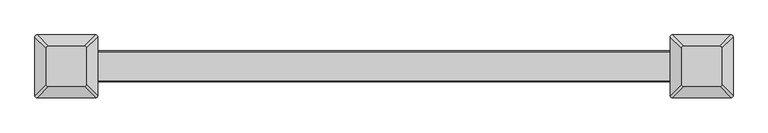
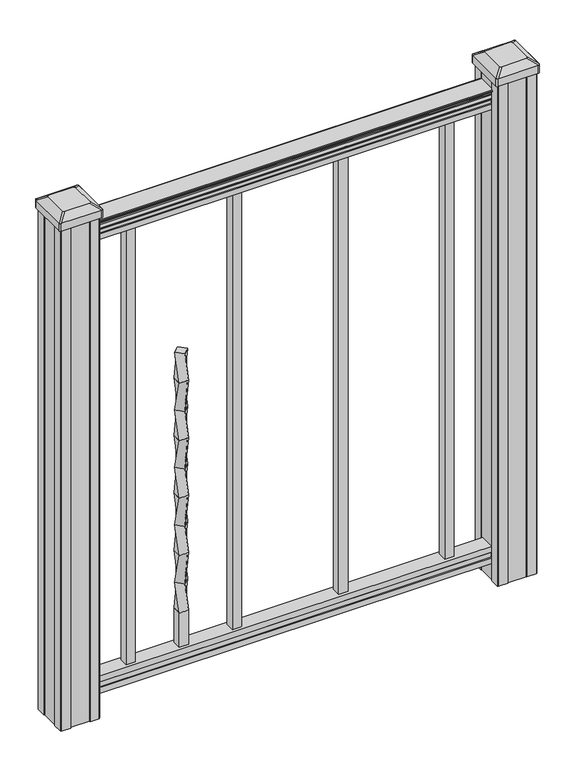
"""IFC4 building model written with IfcOpenShell, lengths in millimetres: proxy geometry."""

from ifc_helpers import new_model, si_unit, point, frame, frame_2d, origin, place, context, project, spatial, polyline, circle_curve, trimmed, segment, composite_curve, outline, extrude, source, transform, mapped, element, save
from ifc_brep_helpers import plane_surface, extruded_surface, spline_surface, advanced_brep


def specialty_equipment_23b46780(model_context):
    return source(origin(), model_context, "Body", "SolidModel", [
        advanced_brep(
        [(-222.25, 13.4703842, 749.3), (-235.7203842, 0.0, 749.3), (-222.25, -13.4703842, 749.3), (-208.7796158, 0.0, 749.3), (-231.775, 9.525, 685.8), (-212.725, 9.525, 685.8), (-212.725, -9.525, 685.8), (-231.775, -9.525, 685.8)],
        [
            (0, 1),
            (1, 2),
            (2, 3),
            (3, 0),
            (4, 5),
            (5, 6),
            (6, 7),
            (7, 4),
            (4, 0),
            (3, 5),
            (2, 6),
            (1, 7),
        ],
        [
            plane_surface(frame((-222.25, 0.0, 749.3), z_axis=(0.0, 0.0, 1.0000000000000002), x_axis=(0.7071067811865481, -0.707106781186547, 0.0))),
            plane_surface(frame((-222.25, 0.0, 685.8), z_axis=(0.0, 0.0, -1.0000000000000002), x_axis=(0.7071067811865481, -0.707106781186547, 0.0))),
            spline_surface(1, 1, [[(-212.725, 9.525, 685.8), (-208.7796158, 0.0, 749.3)], [(-231.775, 9.525, 685.8), (-222.25, 13.4703842, 749.3)]], [2, 2], [2, 2], [0.0, 1.0], [0.0, 1.0]),
            spline_surface(1, 1, [[(-212.725, -9.525, 685.8), (-222.25, -13.4703842, 749.3)], [(-212.725, 9.525, 685.8), (-208.7796158, 0.0, 749.3)]], [2, 2], [2, 2], [0.0, 1.0], [0.0, 1.0]),
            spline_surface(1, 1, [[(-231.775, -9.525, 685.8), (-235.7203842, 0.0, 749.3)], [(-212.725, -9.525, 685.8), (-222.25, -13.4703842, 749.3)]], [2, 2], [2, 2], [0.0, 1.0], [0.0, 1.0]),
            spline_surface(1, 1, [[(-231.775, 9.525, 685.8), (-222.25, 13.4703842, 749.3)], [(-231.775, -9.525, 685.8), (-235.7203842, 0.0, 749.3)]], [2, 2], [2, 2], [0.0, 1.0], [0.0, 1.0]),
        ],
        [
            (0, [[1, 2, 3, 4]]),
            (1, [[5, 6, 7, 8]]),
            (2, [[-5, 9, -4, 10]]),
            (3, [[-6, -10, -3, 11]]),
            (4, [[-7, -11, -2, 12]]),
            (5, [[-8, -12, -1, -9]]),
        ],
    ),
        advanced_brep(
        [(-231.775, 9.525, 685.8), (-231.775, -9.525, 685.8), (-212.725, -9.525, 685.8), (-212.725, 9.525, 685.8), (-222.25, 13.4703842, 622.3), (-208.7796158, 0.0, 622.3), (-222.25, -13.4703842, 622.3), (-235.7203842, 0.0, 622.3)],
        [
            (0, 1),
            (1, 2),
            (2, 3),
            (3, 0),
            (4, 5),
            (5, 6),
            (6, 7),
            (7, 4),
            (4, 0),
            (3, 5),
            (2, 6),
            (1, 7),
        ],
        [
            plane_surface(frame((-222.25, 0.0, 685.8), z_axis=(0.0, 0.0, 1.0), x_axis=(0.0, -1.0, 0.0))),
            plane_surface(frame((-222.25, 0.0, 622.3), z_axis=(0.0, 0.0, -1.0), x_axis=(0.0, -1.0, 0.0))),
            spline_surface(1, 1, [[(-208.7796158, 0.0, 622.3), (-212.725, 9.525, 685.8)], [(-222.25, 13.4703842, 622.3), (-231.775, 9.525, 685.8)]], [2, 2], [2, 2], [0.0, 1.0], [0.0, 1.0]),
            spline_surface(1, 1, [[(-222.25, -13.4703842, 622.3), (-212.725, -9.525, 685.8)], [(-208.7796158, 0.0, 622.3), (-212.725, 9.525, 685.8)]], [2, 2], [2, 2], [0.0, 1.0], [0.0, 1.0]),
            spline_surface(1, 1, [[(-235.7203842, 0.0, 622.3), (-231.775, -9.525, 685.8)], [(-222.25, -13.4703842, 622.3), (-212.725, -9.525, 685.8)]], [2, 2], [2, 2], [0.0, 1.0], [0.0, 1.0]),
            spline_surface(1, 1, [[(-222.25, 13.4703842, 622.3), (-231.775, 9.525, 685.8)], [(-235.7203842, 0.0, 622.3), (-231.775, -9.525, 685.8)]], [2, 2], [2, 2], [0.0, 1.0], [0.0, 1.0]),
        ],
        [
            (0, [[1, 2, 3, 4]]),
            (1, [[5, 6, 7, 8]]),
            (2, [[-5, 9, -4, 10]]),
            (3, [[-6, -10, -3, 11]]),
            (4, [[-7, -11, -2, 12]]),
            (5, [[-8, -12, -1, -9]]),
        ],
    ),
        advanced_brep(
        [(-222.25, 13.4703842, 622.3), (-235.7203842, 0.0, 622.3), (-222.25, -13.4703842, 622.3), (-208.7796158, 0.0, 622.3), (-231.775, 9.525, 558.8), (-212.725, 9.525, 558.8), (-212.725, -9.525, 558.8), (-231.775, -9.525, 558.8)],
        [
            (0, 1),
            (1, 2),
            (2, 3),
            (3, 0),
            (4, 5),
            (5, 6),
            (6, 7),
            (7, 4),
            (4, 0),
            (3, 5),
            (2, 6),
            (1, 7),
        ],
        [
            plane_surface(frame((-222.25, 0.0, 622.3), z_axis=(0.0, 0.0, 1.0000000000000002), x_axis=(0.7071067811865481, -0.707106781186547, 0.0))),
            plane_surface(frame((-222.25, 0.0, 558.8), z_axis=(0.0, 0.0, -1.0000000000000002), x_axis=(0.7071067811865481, -0.707106781186547, 0.0))),
            spline_surface(1, 1, [[(-212.725, 9.525, 558.8), (-208.7796158, 0.0, 622.3)], [(-231.775, 9.525, 558.8), (-222.25, 13.4703842, 622.3)]], [2, 2], [2, 2], [0.0, 1.0], [0.0, 1.0]),
            spline_surface(1, 1, [[(-212.725, -9.525, 558.8), (-222.25, -13.4703842, 622.3)], [(-212.725, 9.525, 558.8), (-208.7796158, 0.0, 622.3)]], [2, 2], [2, 2], [0.0, 1.0], [0.0, 1.0]),
            spline_surface(1, 1, [[(-231.775, -9.525, 558.8), (-235.7203842, 0.0, 622.3)], [(-212.725, -9.525, 558.8), (-222.25, -13.4703842, 622.3)]], [2, 2], [2, 2], [0.0, 1.0], [0.0, 1.0]),
            spline_surface(1, 1, [[(-231.775, 9.525, 558.8), (-222.25, 13.4703842, 622.3)], [(-231.775, -9.525, 558.8), (-235.7203842, 0.0, 622.3)]], [2, 2], [2, 2], [0.0, 1.0], [0.0, 1.0]),
        ],
        [
            (0, [[1, 2, 3, 4]]),
            (1, [[5, 6, 7, 8]]),
            (2, [[-5, 9, -4, 10]]),
            (3, [[-6, -10, -3, 11]]),
            (4, [[-7, -11, -2, 12]]),
            (5, [[-8, -12, -1, -9]]),
        ],
    ),
        advanced_brep(
        [(-231.775, 9.525, 558.8), (-231.775, -9.525, 558.8), (-212.725, -9.525, 558.8), (-212.725, 9.525, 558.8), (-222.25, 13.4703842, 495.3), (-208.7796158, 0.0, 495.3), (-222.25, -13.4703842, 495.3), (-235.7203842, 0.0, 495.3)],
        [
            (0, 1),
            (1, 2),
            (2, 3),
            (3, 0),
            (4, 5),
            (5, 6),
            (6, 7),
            (7, 4),
            (4, 0),
            (3, 5),
            (2, 6),
            (1, 7),
        ],
        [
            plane_surface(frame((-222.25, 0.0, 558.8), z_axis=(0.0, 0.0, 1.0), x_axis=(0.0, -1.0, 0.0))),
            plane_surface(frame((-222.25, 0.0, 495.3), z_axis=(0.0, 0.0, -1.0), x_axis=(0.0, -1.0, 0.0))),
            spline_surface(1, 1, [[(-208.7796158, 0.0, 495.3), (-212.725, 9.525, 558.8)], [(-222.25, 13.4703842, 495.3), (-231.775, 9.525, 558.8)]], [2, 2], [2, 2], [0.0, 1.0], [0.0, 1.0]),
            spline_surface(1, 1, [[(-222.25, -13.4703842, 495.3), (-212.725, -9.525, 558.8)], [(-208.7796158, 0.0, 495.3), (-212.725, 9.525, 558.8)]], [2, 2], [2, 2], [0.0, 1.0], [0.0, 1.0]),
            spline_surface(1, 1, [[(-235.7203842, 0.0, 495.3), (-231.775, -9.525, 558.8)], [(-222.25, -13.4703842, 495.3), (-212.725, -9.525, 558.8)]], [2, 2], [2, 2], [0.0, 1.0], [0.0, 1.0]),
            spline_surface(1, 1, [[(-222.25, 13.4703842, 495.3), (-231.775, 9.525, 558.8)], [(-235.7203842, 0.0, 495.3), (-231.775, -9.525, 558.8)]], [2, 2], [2, 2], [0.0, 1.0], [0.0, 1.0]),
        ],
        [
            (0, [[1, 2, 3, 4]]),
            (1, [[5, 6, 7, 8]]),
            (2, [[-5, 9, -4, 10]]),
            (3, [[-6, -10, -3, 11]]),
            (4, [[-7, -11, -2, 12]]),
            (5, [[-8, -12, -1, -9]]),
        ],
    ),
        advanced_brep(
        [(-222.25, 13.4703842, 495.3), (-235.7203842, 0.0, 495.3), (-222.25, -13.4703842, 495.3), (-208.7796158, 0.0, 495.3), (-231.775, 9.525, 431.8), (-212.725, 9.525, 431.8), (-212.725, -9.525, 431.8), (-231.775, -9.525, 431.8)],
        [
            (0, 1),
            (1, 2),
            (2, 3),
            (3, 0),
            (4, 5),
            (5, 6),
            (6, 7),
            (7, 4),
            (4, 0),
            (3, 5),
            (2, 6),
            (1, 7),
        ],
        [
            plane_surface(frame((-222.25, 0.0, 495.3), z_axis=(0.0, 0.0, 1.0000000000000002), x_axis=(0.7071067811865481, -0.707106781186547, 0.0))),
            plane_surface(frame((-222.25, 0.0, 431.8), z_axis=(0.0, 0.0, -1.0000000000000002), x_axis=(0.7071067811865481, -0.707106781186547, 0.0))),
            spline_surface(1, 1, [[(-212.725, 9.525, 431.8), (-208.7796158, 0.0, 495.3)], [(-231.775, 9.525, 431.8), (-222.25, 13.4703842, 495.3)]], [2, 2], [2, 2], [0.0, 1.0], [0.0, 1.0]),
            spline_surface(1, 1, [[(-212.725, -9.525, 431.8), (-222.25, -13.4703842, 495.3)], [(-212.725, 9.525, 431.8), (-208.7796158, 0.0, 495.3)]], [2, 2], [2, 2], [0.0, 1.0], [0.0, 1.0]),
            spline_surface(1, 1, [[(-231.775, -9.525, 431.8), (-235.7203842, 0.0, 495.3)], [(-212.725, -9.525, 431.8), (-222.25, -13.4703842, 495.3)]], [2, 2], [2, 2], [0.0, 1.0], [0.0, 1.0]),
            spline_surface(1, 1, [[(-231.775, 9.525, 431.8), (-222.25, 13.4703842, 495.3)], [(-231.775, -9.525, 431.8), (-235.7203842, 0.0, 495.3)]], [2, 2], [2, 2], [0.0, 1.0], [0.0, 1.0]),
        ],
        [
            (0, [[1, 2, 3, 4]]),
            (1, [[5, 6, 7, 8]]),
            (2, [[-5, 9, -4, 10]]),
            (3, [[-6, -10, -3, 11]]),
            (4, [[-7, -11, -2, 12]]),
            (5, [[-8, -12, -1, -9]]),
        ],
    ),
        advanced_brep(
        [(-231.775, 9.525, 431.8), (-231.775, -9.525, 431.8), (-212.725, -9.525, 431.8), (-212.725, 9.525, 431.8), (-222.25, 13.4703842, 368.3), (-208.7796158, 0.0, 368.3), (-222.25, -13.4703842, 368.3), (-235.7203842, 0.0, 368.3)],
        [
            (0, 1),
            (1, 2),
            (2, 3),
            (3, 0),
            (4, 5),
            (5, 6),
            (6, 7),
            (7, 4),
            (4, 0),
            (3, 5),
            (2, 6),
            (1, 7),
        ],
        [
            plane_surface(frame((-222.25, 0.0, 431.8), z_axis=(0.0, 0.0, 1.0), x_axis=(0.0, -1.0, 0.0))),
            plane_surface(frame((-222.25, 0.0, 368.3), z_axis=(0.0, 0.0, -1.0), x_axis=(0.0, -1.0, 0.0))),
            spline_surface(1, 1, [[(-208.7796158, 0.0, 368.3), (-212.725, 9.525, 431.8)], [(-222.25, 13.4703842, 368.3), (-231.775, 9.525, 431.8)]], [2, 2], [2, 2], [0.0, 1.0], [0.0, 1.0]),
            spline_surface(1, 1, [[(-222.25, -13.4703842, 368.3), (-212.725, -9.525, 431.8)], [(-208.7796158, 0.0, 368.3), (-212.725, 9.525, 431.8)]], [2, 2], [2, 2], [0.0, 1.0], [0.0, 1.0]),
            spline_surface(1, 1, [[(-235.7203842, 0.0, 368.3), (-231.775, -9.525, 431.8)], [(-222.25, -13.4703842, 368.3), (-212.725, -9.525, 431.8)]], [2, 2], [2, 2], [0.0, 1.0], [0.0, 1.0]),
            spline_surface(1, 1, [[(-222.25, 13.4703842, 368.3), (-231.775, 9.525, 431.8)], [(-235.7203842, 0.0, 368.3), (-231.775, -9.525, 431.8)]], [2, 2], [2, 2], [0.0, 1.0], [0.0, 1.0]),
        ],
        [
            (0, [[1, 2, 3, 4]]),
            (1, [[5, 6, 7, 8]]),
            (2, [[-5, 9, -4, 10]]),
            (3, [[-6, -10, -3, 11]]),
            (4, [[-7, -11, -2, 12]]),
            (5, [[-8, -12, -1, -9]]),
        ],
    ),
        advanced_brep(
        [(-222.25, 13.4703842, 368.3), (-235.7203842, 0.0, 368.3), (-222.25, -13.4703842, 368.3), (-208.7796158, 0.0, 368.3), (-231.775, 9.525, 304.8), (-212.725, 9.525, 304.8), (-212.725, -9.525, 304.8), (-231.775, -9.525, 304.8)],
        [
            (0, 1),
            (1, 2),
            (2, 3),
            (3, 0),
            (4, 5),
            (5, 6),
            (6, 7),
            (7, 4),
            (4, 0),
            (3, 5),
            (2, 6),
            (1, 7),
        ],
        [
            plane_surface(frame((-222.25, 0.0, 368.3), z_axis=(0.0, 0.0, 1.0000000000000002), x_axis=(0.7071067811865481, -0.707106781186547, 0.0))),
            plane_surface(frame((-222.25, 0.0, 304.8), z_axis=(0.0, 0.0, -1.0000000000000002), x_axis=(0.7071067811865481, -0.707106781186547, 0.0))),
            spline_surface(1, 1, [[(-212.725, 9.525, 304.8), (-208.7796158, 0.0, 368.3)], [(-231.775, 9.525, 304.8), (-222.25, 13.4703842, 368.3)]], [2, 2], [2, 2], [0.0, 1.0], [0.0, 1.0]),
            spline_surface(1, 1, [[(-212.725, -9.525, 304.8), (-222.25, -13.4703842, 368.3)], [(-212.725, 9.525, 304.8), (-208.7796158, 0.0, 368.3)]], [2, 2], [2, 2], [0.0, 1.0], [0.0, 1.0]),
            spline_surface(1, 1, [[(-231.775, -9.525, 304.8), (-235.7203842, 0.0, 368.3)], [(-212.725, -9.525, 304.8), (-222.25, -13.4703842, 368.3)]], [2, 2], [2, 2], [0.0, 1.0], [0.0, 1.0]),
            spline_surface(1, 1, [[(-231.775, 9.525, 304.8), (-222.25, 13.4703842, 368.3)], [(-231.775, -9.525, 304.8), (-235.7203842, 0.0, 368.3)]], [2, 2], [2, 2], [0.0, 1.0], [0.0, 1.0]),
        ],
        [
            (0, [[1, 2, 3, 4]]),
            (1, [[5, 6, 7, 8]]),
            (2, [[-5, 9, -4, 10]]),
            (3, [[-6, -10, -3, 11]]),
            (4, [[-7, -11, -2, 12]]),
            (5, [[-8, -12, -1, -9]]),
        ],
    ),
        advanced_brep(
        [(-231.775, 9.525, 304.8), (-231.775, -9.525, 304.8), (-212.725, -9.525, 304.8), (-212.725, 9.525, 304.8), (-222.25, 13.4703842, 241.3), (-208.7796158, 0.0, 241.3), (-222.25, -13.4703842, 241.3), (-235.7203842, 0.0, 241.3)],
        [
            (0, 1),
            (1, 2),
            (2, 3),
            (3, 0),
            (4, 5),
            (5, 6),
            (6, 7),
            (7, 4),
            (4, 0),
            (3, 5),
            (2, 6),
            (1, 7),
        ],
        [
            plane_surface(frame((-222.25, 0.0, 304.8), z_axis=(0.0, 0.0, 1.0), x_axis=(0.0, -1.0, 0.0))),
            plane_surface(frame((-222.25, 0.0, 241.3), z_axis=(0.0, 0.0, -1.0), x_axis=(0.0, -1.0, 0.0))),
            spline_surface(1, 1, [[(-208.7796158, 0.0, 241.3), (-212.725, 9.525, 304.8)], [(-222.25, 13.4703842, 241.3), (-231.775, 9.525, 304.8)]], [2, 2], [2, 2], [0.0, 1.0], [0.0, 1.0]),
            spline_surface(1, 1, [[(-222.25, -13.4703842, 241.3), (-212.725, -9.525, 304.8)], [(-208.7796158, 0.0, 241.3), (-212.725, 9.525, 304.8)]], [2, 2], [2, 2], [0.0, 1.0], [0.0, 1.0]),
            spline_surface(1, 1, [[(-235.7203842, 0.0, 241.3), (-231.775, -9.525, 304.8)], [(-222.25, -13.4703842, 241.3), (-212.725, -9.525, 304.8)]], [2, 2], [2, 2], [0.0, 1.0], [0.0, 1.0]),
            spline_surface(1, 1, [[(-222.25, 13.4703842, 241.3), (-231.775, 9.525, 304.8)], [(-235.7203842, 0.0, 241.3), (-231.775, -9.525, 304.8)]], [2, 2], [2, 2], [0.0, 1.0], [0.0, 1.0]),
        ],
        [
            (0, [[1, 2, 3, 4]]),
            (1, [[5, 6, 7, 8]]),
            (2, [[-5, 9, -4, 10]]),
            (3, [[-6, -10, -3, 11]]),
            (4, [[-7, -11, -2, 12]]),
            (5, [[-8, -12, -1, -9]]),
        ],
    ),
        advanced_brep(
        [(-222.25, 13.4703842, 241.3), (-235.7203842, 0.0, 241.3), (-222.25, -13.4703842, 241.3), (-208.7796158, 0.0, 241.3), (-231.775, 9.525, 177.8), (-212.725, 9.525, 177.8), (-212.725, -9.525, 177.8), (-231.775, -9.525, 177.8)],
        [
            (0, 1),
            (1, 2),
            (2, 3),
            (3, 0),
            (4, 5),
            (5, 6),
            (6, 7),
            (7, 4),
            (4, 0),
            (3, 5),
            (2, 6),
            (1, 7),
        ],
        [
            plane_surface(frame((-222.25, 0.0, 241.3), z_axis=(0.0, 0.0, 1.0000000000000002), x_axis=(0.7071067811865481, -0.707106781186547, 0.0))),
            plane_surface(frame((-222.25, 0.0, 177.8), z_axis=(0.0, 0.0, -1.0000000000000002), x_axis=(0.7071067811865481, -0.707106781186547, 0.0))),
            spline_surface(1, 1, [[(-212.725, 9.525, 177.8), (-208.7796158, 0.0, 241.3)], [(-231.775, 9.525, 177.8), (-222.25, 13.4703842, 241.3)]], [2, 2], [2, 2], [0.0, 1.0], [0.0, 1.0]),
            spline_surface(1, 1, [[(-212.725, -9.525, 177.8), (-222.25, -13.4703842, 241.3)], [(-212.725, 9.525, 177.8), (-208.7796158, 0.0, 241.3)]], [2, 2], [2, 2], [0.0, 1.0], [0.0, 1.0]),
            spline_surface(1, 1, [[(-231.775, -9.525, 177.8), (-235.7203842, 0.0, 241.3)], [(-212.725, -9.525, 177.8), (-222.25, -13.4703842, 241.3)]], [2, 2], [2, 2], [0.0, 1.0], [0.0, 1.0]),
            spline_surface(1, 1, [[(-231.775, 9.525, 177.8), (-222.25, 13.4703842, 241.3)], [(-231.775, -9.525, 177.8), (-235.7203842, 0.0, 241.3)]], [2, 2], [2, 2], [0.0, 1.0], [0.0, 1.0]),
        ],
        [
            (0, [[1, 2, 3, 4]]),
            (1, [[5, 6, 7, 8]]),
            (2, [[-5, 9, -4, 10]]),
            (3, [[-6, -10, -3, 11]]),
            (4, [[-7, -11, -2, 12]]),
            (5, [[-8, -12, -1, -9]]),
        ],
    ),
        extrude(outline(polyline([(-212.725, 9.525), (-212.725, -9.525), (-231.775, -9.525), (-231.775, 9.525), (-212.725, 9.525)])), frame((0.0, 0.0, 101.6), z_axis=(0.0, 0.0, 1.0), x_axis=(1.0, 0.0, 0.0)), (0.0, 0.0, 1.0), 76.2),
        extrude(outline(composite_curve([segment(polyline([(1090.8043297, 17.4328287), (1092.692412, 17.4328287)]), True, "CONTINUOUS"), segment(trimmed(circle_curve(frame_2d((1098.4506383, 11.1180755)), 8.545951), [point((1092.692412, 17.4328287))], [point((1094.2546695, 18.563015))], False, "CARTESIAN"), True, "CONTINUOUS"), segment(trimmed(circle_curve(frame_2d((1097.8636577, 11.5551384)), 7.882584), [point((1094.2546695, 18.563015))], [point((1101.4726458, 18.563015))], False, "CARTESIAN"), True, "CONTINUOUS"), segment(trimmed(circle_curve(frame_2d((1103.7112527, 22.0684625)), 4.1592695), [point((1101.4726458, 18.563015))], [point((1103.9060812, 17.9137586))], True, "CARTESIAN"), True, "CONTINUOUS"), segment(trimmed(circle_curve(frame_2d((1103.6508864, 23.3557691)), 5.4479907), [point((1103.9060812, 17.9137586))], [point((1108.2362083, 20.4137586))], True, "CARTESIAN"), True, "CONTINUOUS"), segment(trimmed(circle_curve(frame_2d((1108.233395, 22.1226107)), 1.7088543), [point((1108.2362083, 20.4137586))], [point((1109.9157972, 21.8231011))], True, "CARTESIAN"), True, "CONTINUOUS"), segment(trimmed(circle_curve(frame_2d((1111.0205318, 20.5057106)), 1.7192895), [point((1109.9157972, 21.8231011))], [point((1111.0205318, 22.2250001))], False, "CARTESIAN"), True, "CONTINUOUS"), segment(polyline([(1111.0205318, 22.2250001), (1112.3608158, 22.225)]), True, "CONTINUOUS"), segment(trimmed(circle_curve(frame_2d((1112.3608158, 20.6715528)), 1.5534472), [point((1112.3608158, 22.225))], [point((1113.914263, 20.6715528))], False, "CARTESIAN"), True, "CONTINUOUS"), segment(polyline([(1113.914263, 20.6715528), (1113.914263, -20.6715528)]), True, "CONTINUOUS"), segment(trimmed(circle_curve(frame_2d((1112.3608158, -20.6715528)), 1.5534472), [point((1113.914263, -20.6715528))], [point((1112.3608158, -22.225))], False, "CARTESIAN"), True, "CONTINUOUS"), segment(polyline([(1112.3608158, -22.225), (1111.0205318, -22.225)]), True, "CONTINUOUS"), segment(trimmed(circle_curve(frame_2d((1111.0205318, -20.5057106)), 1.7192895), [point((1111.0205318, -22.225))], [point((1109.9157972, -21.8231011))], False, "CARTESIAN"), True, "CONTINUOUS"), segment(trimmed(circle_curve(frame_2d((1108.233395, -22.1226107)), 1.7088543), [point((1109.9157972, -21.8231011))], [point((1108.2362083, -20.4137586))], True, "CARTESIAN"), True, "CONTINUOUS"), segment(trimmed(circle_curve(frame_2d((1103.6508864, -23.3557691)), 5.4479907), [point((1108.2362083, -20.4137586))], [point((1103.9060812, -17.9137586))], True, "CARTESIAN"), True, "CONTINUOUS"), segment(trimmed(circle_curve(frame_2d((1103.7112527, -22.0684625)), 4.1592695), [point((1103.9060812, -17.9137586))], [point((1101.4726458, -18.563015))], True, "CARTESIAN"), True, "CONTINUOUS"), segment(trimmed(circle_curve(frame_2d((1097.8636577, -11.5551384)), 7.882584), [point((1101.4726458, -18.563015))], [point((1094.2546695, -18.563015))], False, "CARTESIAN"), True, "CONTINUOUS"), segment(trimmed(circle_curve(frame_2d((1098.4506383, -11.1180755)), 8.545951), [point((1094.2546695, -18.563015))], [point((1092.692412, -17.4328287))], False, "CARTESIAN"), True, "CONTINUOUS"), segment(polyline([(1092.692412, -17.4328287), (1090.8043297, -17.4328287)]), True, "CONTINUOUS"), segment(trimmed(circle_curve(frame_2d((1090.8043297, -16.1459144)), 1.2869144), [point((1090.8043297, -17.4328287))], [point((1090.8043297, -14.859))], False, "CARTESIAN"), True, "CONTINUOUS"), segment(polyline([(1090.8043297, -14.859), (1080.3048283, -14.859), (1079.2888283, -15.875), (1066.8, -15.875), (1066.8, 15.875), (1079.131013, 15.875), (1080.147013, 14.859), (1090.8043297, 14.859)]), True, "CONTINUOUS"), segment(trimmed(circle_curve(frame_2d((1090.8043297, 16.1459144)), 1.2869144), [point((1090.8043297, 14.859))], [point((1090.8043297, 17.4328287))], False, "CARTESIAN"), True, "CONTINUOUS")], self_intersect=False)), frame((457.2, 0.0, 0.0), z_axis=(-1.0, 0.0, 0.0), x_axis=(0.0, 0.0, 1.0)), (0.0, 0.0, 1.0), 914.4),
        extrude(outline(polyline([(-15.9124869, 76.0541976), (-14.8964869, 77.3546183), (-14.8964869, 87.7141717), (-15.9124869, 89.0624492), (-15.9124869, 101.5958781), (15.8375131, 101.5958781), (15.8375131, 89.0458024), (14.8215131, 87.6975248), (14.8215131, 77.3858283), (15.8375131, 76.0375508), (15.8375131, 63.5), (-15.9124869, 63.5), (-15.9124869, 76.0541976)])), frame((-457.2, 0.0, 0.0), z_axis=(1.0, 0.0, 0.0), x_axis=(0.0, 1.0, 0.0)), (0.0, 0.0, 1.0), 914.4),
        advanced_brep(
        [(431.403125, 28.971875, 1165.225), (428.228125, 25.796875, 1165.225), (428.228125, -25.796875, 1165.225), (431.403125, -28.971875, 1165.225), (482.996875, -28.971875, 1165.225), (486.171875, -25.796875, 1165.225), (486.171875, 25.796875, 1165.225), (482.996875, 28.971875, 1165.225), (415.13125, 45.24375, 1153.922), (499.26875, 45.24375, 1153.922), (502.44375, 42.06875, 1153.922), (502.44375, -42.06875, 1153.922), (499.26875, -45.24375, 1153.922), (415.13125, -45.24375, 1153.922), (411.95625, -42.06875, 1153.922), (411.95625, 42.06875, 1153.922)],
        [
            (0, 1, circle_curve(frame((431.403125, 25.796875, 1165.225), z_axis=(0.0, 0.0, 1.0), x_axis=(0.0, -1.0, 0.0)), 3.175)),
            (1, 2),
            (2, 3, circle_curve(frame((431.403125, -25.796875, 1165.225), z_axis=(0.0, 0.0, 1.0), x_axis=(0.0, -1.0, 0.0)), 3.175)),
            (3, 4),
            (4, 5, circle_curve(frame((482.996875, -25.796875, 1165.225), z_axis=(0.0, 0.0, 1.0), x_axis=(0.0, -1.0, 0.0)), 3.175)),
            (5, 6),
            (6, 7, circle_curve(frame((482.996875, 25.796875, 1165.225), z_axis=(0.0, 0.0, 1.0), x_axis=(0.0, -1.0, 0.0)), 3.175)),
            (7, 0),
            (8, 9),
            (9, 10, circle_curve(frame((499.26875, 42.06875, 1153.922), z_axis=(0.0, 0.0, -1.0), x_axis=(0.0, -1.0, 0.0)), 3.175)),
            (10, 11),
            (11, 12, circle_curve(frame((499.26875, -42.06875, 1153.922), z_axis=(0.0, 0.0, -1.0), x_axis=(0.0, -1.0, 0.0)), 3.175)),
            (12, 13),
            (13, 14, circle_curve(frame((415.13125, -42.06875, 1153.922), z_axis=(0.0, 0.0, -1.0), x_axis=(0.0, -1.0, 0.0)), 3.175)),
            (14, 15),
            (15, 8, circle_curve(frame((415.13125, 42.06875, 1153.922), z_axis=(0.0, 0.0, -1.0), x_axis=(0.0, -1.0, 0.0)), 3.175)),
            (15, 1),
            (0, 8),
            (14, 2),
            (13, 3),
            (12, 4),
            (11, 5),
            (10, 6),
            (9, 7),
        ],
        [
            plane_surface(frame((457.2, 0.0, 1165.225), z_axis=(0.0, 0.0, 1.0), x_axis=(-1.0, 0.0, 0.0))),
            plane_surface(frame((457.2, 0.0, 1153.922), z_axis=(0.0, 0.0, -1.0), x_axis=(-1.0, 0.0, 0.0))),
            extruded_surface(trimmed(circle_curve(frame((415.13125, 42.06875, 1153.922), z_axis=(0.0, 0.0, 1.0), x_axis=(0.0, -1.0, 0.0)), 3.175), [point((415.13125, 45.24375, 1153.922))], [point((411.95625, 42.06875, 1153.922))], True, "CARTESIAN"), (16.271874999999966, -16.271875, 11.302999999999884), 25.637972638866092),
            plane_surface(frame((411.95625, 0.0, 1153.922), z_axis=(-0.5705009161540777, 0.0, 0.8212969649690409), x_axis=(0.0, -1.0, 0.0))),
            extruded_surface(trimmed(circle_curve(frame((415.13125, -42.06875, 1153.922), z_axis=(0.0, 0.0, 1.0), x_axis=(0.0, -1.0, 0.0)), 3.175), [point((411.95625, -42.06875, 1153.922))], [point((415.13125, -45.24375, 1153.922))], True, "CARTESIAN"), (16.271874999999966, 16.271875, 11.302999999999884), 25.637972638866092),
            plane_surface(frame((457.2, -45.24375, 1153.922), z_axis=(0.0, -0.5705009161540291, 0.8212969649690747), x_axis=(1.0, 0.0, 0.0))),
            extruded_surface(trimmed(circle_curve(frame((499.26875, -42.06875, 1153.922), z_axis=(0.0, 0.0, 1.0), x_axis=(0.0, -1.0, 0.0)), 3.175), [point((499.26875, -45.24375, 1153.922))], [point((502.44375, -42.06875, 1153.922))], True, "CARTESIAN"), (-16.271875000000023, 16.271875, 11.302999999999884), 25.637972638866128),
            plane_surface(frame((502.44375, 0.0, 1153.922), z_axis=(0.5705009161540143, 0.0, 0.821296964969085), x_axis=(0.0, 1.0, 0.0))),
            extruded_surface(trimmed(circle_curve(frame((499.26875, 42.06875, 1153.922), z_axis=(0.0, 0.0, 1.0), x_axis=(0.0, -1.0, 0.0)), 3.175), [point((502.44375, 42.06875, 1153.922))], [point((499.26875, 45.24375, 1153.922))], True, "CARTESIAN"), (-16.271875000000023, -16.271875, 11.302999999999884), 25.637972638866128),
            plane_surface(frame((457.2, 45.24375, 1153.922), z_axis=(0.0, 0.570500916154034, 0.8212969649690713), x_axis=(-1.0, 0.0, 0.0))),
        ],
        [
            (0, [[1, 2, 3, 4, 5, 6, 7, 8]]),
            (1, [[9, 10, 11, 12, 13, 14, 15, 16]]),
            (2, [[-16, 17, -1, 18]]),
            (3, [[-15, 19, -2, -17]]),
            (4, [[-14, 20, -3, -19]]),
            (5, [[-13, 21, -4, -20]]),
            (6, [[-12, 22, -5, -21]]),
            (7, [[-11, 23, -6, -22]]),
            (8, [[-10, 24, -7, -23]]),
            (9, [[-9, -18, -8, -24]]),
        ],
    ),
        extrude(outline(composite_curve([segment(polyline([(415.13125, 45.24375), (499.26875, 45.24375)]), True, "CONTINUOUS"), segment(trimmed(circle_curve(frame_2d((499.26875, 42.06875)), 3.175), [point((499.26875, 45.24375))], [point((502.44375, 42.06875))], False, "CARTESIAN"), True, "CONTINUOUS"), segment(polyline([(502.44375, 42.06875), (502.44375, -42.06875)]), True, "CONTINUOUS"), segment(trimmed(circle_curve(frame_2d((499.26875, -42.06875)), 3.175), [point((502.44375, -42.06875))], [point((499.26875, -45.24375))], False, "CARTESIAN"), True, "CONTINUOUS"), segment(polyline([(499.26875, -45.24375), (415.13125, -45.24375)]), True, "CONTINUOUS"), segment(trimmed(circle_curve(frame_2d((415.13125, -42.06875)), 3.175), [point((415.13125, -45.24375))], [point((411.95625, -42.06875))], False, "CARTESIAN"), True, "CONTINUOUS"), segment(polyline([(411.95625, -42.06875), (411.95625, 42.06875)]), True, "CONTINUOUS"), segment(trimmed(circle_curve(frame_2d((415.13125, 42.06875)), 3.175), [point((411.95625, 42.06875))], [point((415.13125, 45.24375))], False, "CARTESIAN"), True, "CONTINUOUS")], self_intersect=False)), frame((0.0, 0.0, 1136.65), z_axis=(0.0, 0.0, 1.0), x_axis=(1.0, 0.0, 0.0)), (0.0, 0.0, 1.0), 17.272),
        extrude(outline(polyline([(417.5125, 41.275), (437.134, 41.275), (437.896, 39.6875), (476.504, 39.6875), (477.266, 41.275), (496.8875, 41.275), (498.475, 39.6875), (498.475, 20.066), (496.8875, 19.304), (496.8875, -19.304), (498.475, -20.066), (498.475, -39.6875), (496.8875, -41.275), (477.266, -41.275), (476.504, -39.6875), (437.896, -39.6875), (437.134, -41.275), (417.5125, -41.275), (415.925, -39.6875), (415.925, -20.066), (417.5125, -19.304), (417.5125, 19.304), (415.925, 20.066), (415.925, 39.6875), (417.5125, 41.275)])), frame((0.0, 0.0, 28.575), z_axis=(0.0, 0.0, 1.0), x_axis=(1.0, 0.0, 0.0)), (0.0, 0.0, 1.0), 1108.075),
        advanced_brep(
        [(-482.996875, 28.971875, 1165.225), (-486.171875, 25.796875, 1165.225), (-486.171875, -25.796875, 1165.225), (-482.996875, -28.971875, 1165.225), (-431.403125, -28.971875, 1165.225), (-428.228125, -25.796875, 1165.225), (-428.228125, 25.796875, 1165.225), (-431.403125, 28.971875, 1165.225), (-499.26875, 45.24375, 1153.922), (-415.13125, 45.24375, 1153.922), (-411.95625, 42.06875, 1153.922), (-411.95625, -42.06875, 1153.922), (-415.13125, -45.24375, 1153.922), (-499.26875, -45.24375, 1153.922), (-502.44375, -42.06875, 1153.922), (-502.44375, 42.06875, 1153.922)],
        [
            (0, 1, circle_curve(frame((-482.996875, 25.796875, 1165.225), z_axis=(0.0, 0.0, 1.0), x_axis=(0.0, -1.0, 0.0)), 3.175)),
            (1, 2),
            (2, 3, circle_curve(frame((-482.996875, -25.796875, 1165.225), z_axis=(0.0, 0.0, 1.0), x_axis=(0.0, -1.0, 0.0)), 3.175)),
            (3, 4),
            (4, 5, circle_curve(frame((-431.403125, -25.796875, 1165.225), z_axis=(0.0, 0.0, 1.0), x_axis=(0.0, -1.0, 0.0)), 3.175)),
            (5, 6),
            (6, 7, circle_curve(frame((-431.403125, 25.796875, 1165.225), z_axis=(0.0, 0.0, 1.0), x_axis=(0.0, -1.0, 0.0)), 3.175)),
            (7, 0),
            (8, 9),
            (9, 10, circle_curve(frame((-415.13125, 42.06875, 1153.922), z_axis=(0.0, 0.0, -1.0), x_axis=(0.0, -1.0, 0.0)), 3.175)),
            (10, 11),
            (11, 12, circle_curve(frame((-415.13125, -42.06875, 1153.922), z_axis=(0.0, 0.0, -1.0), x_axis=(0.0, -1.0, 0.0)), 3.175)),
            (12, 13),
            (13, 14, circle_curve(frame((-499.26875, -42.06875, 1153.922), z_axis=(0.0, 0.0, -1.0), x_axis=(0.0, -1.0, 0.0)), 3.175)),
            (14, 15),
            (15, 8, circle_curve(frame((-499.26875, 42.06875, 1153.922), z_axis=(0.0, 0.0, -1.0), x_axis=(0.0, -1.0, 0.0)), 3.175)),
            (15, 1),
            (0, 8),
            (14, 2),
            (13, 3),
            (12, 4),
            (11, 5),
            (10, 6),
            (9, 7),
        ],
        [
            plane_surface(frame((-457.2, 0.0, 1165.225), z_axis=(0.0, 0.0, 1.0), x_axis=(-1.0, 0.0, 0.0))),
            plane_surface(frame((-457.2, 0.0, 1153.922), z_axis=(0.0, 0.0, -1.0), x_axis=(-1.0, 0.0, 0.0))),
            extruded_surface(trimmed(circle_curve(frame((-499.26875, 42.06875, 1153.922), z_axis=(0.0, 0.0, 1.0), x_axis=(0.0, -1.0, 0.0)), 3.175), [point((-499.26875, 45.24375, 1153.922))], [point((-502.44375, 42.06875, 1153.922))], True, "CARTESIAN"), (16.271875000000023, -16.271875, 11.302999999999884), 25.637972638866128),
            plane_surface(frame((-502.44375, 0.0, 1153.922), z_axis=(-0.5705009161540777, 0.0, 0.8212969649690409), x_axis=(0.0, -1.0, 0.0))),
            extruded_surface(trimmed(circle_curve(frame((-499.26875, -42.06875, 1153.922), z_axis=(0.0, 0.0, 1.0), x_axis=(0.0, -1.0, 0.0)), 3.175), [point((-502.44375, -42.06875, 1153.922))], [point((-499.26875, -45.24375, 1153.922))], True, "CARTESIAN"), (16.271875000000023, 16.271875, 11.302999999999884), 25.637972638866128),
            plane_surface(frame((-457.2, -45.24375, 1153.922), z_axis=(0.0, -0.5705009161540291, 0.8212969649690747), x_axis=(1.0, 0.0, 0.0))),
            extruded_surface(trimmed(circle_curve(frame((-415.13125, -42.06875, 1153.922), z_axis=(0.0, 0.0, 1.0), x_axis=(0.0, -1.0, 0.0)), 3.175), [point((-415.13125, -45.24375, 1153.922))], [point((-411.95625, -42.06875, 1153.922))], True, "CARTESIAN"), (-16.271874999999966, 16.271875, 11.302999999999884), 25.637972638866092),
            plane_surface(frame((-411.95625, 0.0, 1153.922), z_axis=(0.5705009161540143, 0.0, 0.821296964969085), x_axis=(0.0, 1.0, 0.0))),
            extruded_surface(trimmed(circle_curve(frame((-415.13125, 42.06875, 1153.922), z_axis=(0.0, 0.0, 1.0), x_axis=(0.0, -1.0, 0.0)), 3.175), [point((-411.95625, 42.06875, 1153.922))], [point((-415.13125, 45.24375, 1153.922))], True, "CARTESIAN"), (-16.271874999999966, -16.271875, 11.302999999999884), 25.637972638866092),
            plane_surface(frame((-457.2, 45.24375, 1153.922), z_axis=(0.0, 0.570500916154034, 0.8212969649690713), x_axis=(-1.0, 0.0, 0.0))),
        ],
        [
            (0, [[1, 2, 3, 4, 5, 6, 7, 8]]),
            (1, [[9, 10, 11, 12, 13, 14, 15, 16]]),
            (2, [[-16, 17, -1, 18]]),
            (3, [[-15, 19, -2, -17]]),
            (4, [[-14, 20, -3, -19]]),
            (5, [[-13, 21, -4, -20]]),
            (6, [[-12, 22, -5, -21]]),
            (7, [[-11, 23, -6, -22]]),
            (8, [[-10, 24, -7, -23]]),
            (9, [[-9, -18, -8, -24]]),
        ],
    ),
        extrude(outline(composite_curve([segment(polyline([(-499.26875, 45.24375), (-415.13125, 45.24375)]), True, "CONTINUOUS"), segment(trimmed(circle_curve(frame_2d((-415.13125, 42.06875)), 3.175), [point((-415.13125, 45.24375))], [point((-411.95625, 42.06875))], False, "CARTESIAN"), True, "CONTINUOUS"), segment(polyline([(-411.95625, 42.06875), (-411.95625, -42.06875)]), True, "CONTINUOUS"), segment(trimmed(circle_curve(frame_2d((-415.13125, -42.06875)), 3.175), [point((-411.95625, -42.06875))], [point((-415.13125, -45.24375))], False, "CARTESIAN"), True, "CONTINUOUS"), segment(polyline([(-415.13125, -45.24375), (-499.26875, -45.24375)]), True, "CONTINUOUS"), segment(trimmed(circle_curve(frame_2d((-499.26875, -42.06875)), 3.175), [point((-499.26875, -45.24375))], [point((-502.44375, -42.06875))], False, "CARTESIAN"), True, "CONTINUOUS"), segment(polyline([(-502.44375, -42.06875), (-502.44375, 42.06875)]), True, "CONTINUOUS"), segment(trimmed(circle_curve(frame_2d((-499.26875, 42.06875)), 3.175), [point((-502.44375, 42.06875))], [point((-499.26875, 45.24375))], False, "CARTESIAN"), True, "CONTINUOUS")], self_intersect=False)), frame((0.0, 0.0, 1136.65), z_axis=(0.0, 0.0, 1.0), x_axis=(1.0, 0.0, 0.0)), (0.0, 0.0, 1.0), 17.272),
        extrude(outline(polyline([(-496.8875, 41.275), (-477.266, 41.275), (-476.504, 39.6875), (-437.896, 39.6875), (-437.134, 41.275), (-417.5125, 41.275), (-415.925, 39.6875), (-415.925, 20.066), (-417.5125, 19.304), (-417.5125, -19.304), (-415.925, -20.066), (-415.925, -39.6875), (-417.5125, -41.275), (-437.134, -41.275), (-437.896, -39.6875), (-476.504, -39.6875), (-477.266, -41.275), (-496.8875, -41.275), (-498.475, -39.6875), (-498.475, -20.066), (-496.8875, -19.304), (-496.8875, 19.304), (-498.475, 20.066), (-498.475, 39.6875), (-496.8875, 41.275)])), frame((0.0, 0.0, 28.575), z_axis=(0.0, 0.0, 1.0), x_axis=(1.0, 0.0, 0.0)), (0.0, 0.0, 1.0), 1108.075),
        extrude(outline(polyline([(120.65, 9.525), (120.65, -9.525), (101.6, -9.525), (101.6, 9.525), (120.65, 9.525)])), frame((0.0, 0.0, 101.6), z_axis=(0.0, 0.0, 1.0), x_axis=(1.0, 0.0, 0.0)), (0.0, 0.0, 1.0), 965.2),
        extrude(outline(polyline([(-101.6, 9.525), (-101.6, -9.525), (-120.65, -9.525), (-120.65, 9.525), (-101.6, 9.525)])), frame((0.0, 0.0, 101.6), z_axis=(0.0, 0.0, 1.0), x_axis=(1.0, 0.0, 0.0)), (0.0, 0.0, 1.0), 965.2),
        extrude(outline(polyline([(342.9, 9.525), (342.9, -9.525), (323.85, -9.525), (323.85, 9.525), (342.9, 9.525)])), frame((0.0, 0.0, 101.6), z_axis=(0.0, 0.0, 1.0), x_axis=(1.0, 0.0, 0.0)), (0.0, 0.0, 1.0), 965.2),
        extrude(outline(polyline([(-323.85, 9.525), (-323.85, -9.525), (-342.9, -9.525), (-342.9, 9.525), (-323.85, 9.525)])), frame((0.0, 0.0, 101.6), z_axis=(0.0, 0.0, 1.0), x_axis=(1.0, 0.0, 0.0)), (0.0, 0.0, 1.0), 965.2),
    ])


if __name__ == "__main__":
    model = new_model("IFC4")
    model_context = context("Model", 3, world=origin())
    ifc_project = project(units=[si_unit("LENGTHUNIT", "METRE", prefix="MILLI")], contexts=[model_context])
    site = spatial("IfcSite", under=ifc_project)
    building = spatial("IfcBuilding", under=site)
    placement = place(None, origin())
    specialty_equipment_shape = specialty_equipment_23b46780(model_context)
    element("IfcBuildingElementProxy", 1, Name="Specialty Equipment", at=placement, inside=building, context=model_context, shape_type="MappedRepresentation", body=[
        mapped(specialty_equipment_shape, transform((0.0, 0.0, 0.0), x_axis=(1.0, 0.0, 0.0), y_axis=(0.0, 1.0, 0.0), z_axis=(0.0, 0.0, 1.0))),
    ])
    save(model, "model.ifc")
